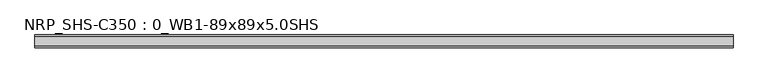
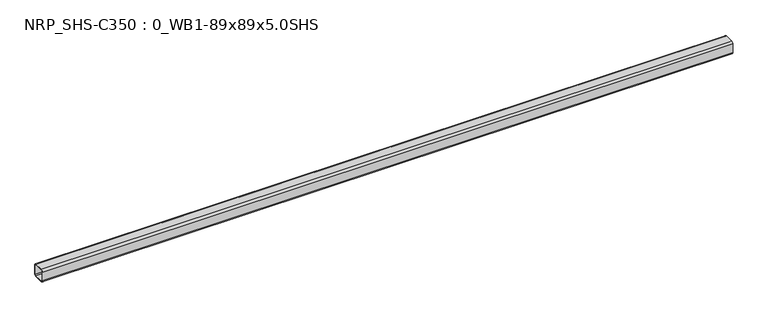
"""IFC4 building model written with IfcOpenShell, lengths in millimetres: member geometry, NRP_SHS-C350 : 0_WB1-89x89x5.0SHS."""

from ifc_helpers import new_model, si_unit, point, frame, frame_2d, origin, place, context, project, spatial, polyline, circle_curve, trimmed, segment, composite_curve, outline, extrude, source, transform, mapped, element, save


def nrp_shs_c350_0_wb1_89x89x5_0shs_72f0fdba(model_context):
    return source(origin(), model_context, "Body", "SweptSolid", [
        extrude(outline(composite_curve([segment(trimmed(circle_curve(frame_2d((-32.0, 32.0)), 12.5), [point((-44.5, 32.0))], [point((-32.0, 44.5))], False, "CARTESIAN"), True, "CONTINUOUS"), segment(polyline([(-32.0, 44.5), (32.0, 44.5)]), True, "CONTINUOUS"), segment(trimmed(circle_curve(frame_2d((32.0, 32.0)), 12.5), [point((32.0, 44.5))], [point((44.5, 32.0))], False, "CARTESIAN"), True, "CONTINUOUS"), segment(polyline([(44.5, 32.0), (44.5, -32.0)]), True, "CONTINUOUS"), segment(trimmed(circle_curve(frame_2d((32.0, -32.0)), 12.5), [point((44.5, -32.0))], [point((32.0, -44.5))], False, "CARTESIAN"), True, "CONTINUOUS"), segment(polyline([(32.0, -44.5), (-32.0, -44.5)]), True, "CONTINUOUS"), segment(trimmed(circle_curve(frame_2d((-32.0, -32.0)), 12.5), [point((-32.0, -44.5))], [point((-44.5, -32.0))], False, "CARTESIAN"), True, "CONTINUOUS"), segment(polyline([(-44.5, -32.0), (-44.5, 32.0)]), True, "CONTINUOUS")], self_intersect=False), holes=[composite_curve([segment(polyline([(32.0, 39.5), (-32.0, 39.5)]), True, "CONTINUOUS"), segment(trimmed(circle_curve(frame_2d((-32.0, 32.0)), 7.5), [point((-32.0, 39.5))], [point((-39.5, 32.0))], True, "CARTESIAN"), True, "CONTINUOUS"), segment(polyline([(-39.5, 32.0), (-39.5, -32.0)]), True, "CONTINUOUS"), segment(trimmed(circle_curve(frame_2d((-32.0, -32.0)), 7.5), [point((-39.5, -32.0))], [point((-32.0, -39.5))], True, "CARTESIAN"), True, "CONTINUOUS"), segment(polyline([(-32.0, -39.5), (32.0, -39.5)]), True, "CONTINUOUS"), segment(trimmed(circle_curve(frame_2d((32.0, -32.0)), 7.5), [point((32.0, -39.5))], [point((39.5, -32.0))], True, "CARTESIAN"), True, "CONTINUOUS"), segment(polyline([(39.5, -32.0), (39.5, 32.0)]), True, "CONTINUOUS"), segment(trimmed(circle_curve(frame_2d((32.0, 32.0)), 7.5), [point((39.5, 32.0))], [point((32.0, 39.5))], True, "CARTESIAN"), True, "CONTINUOUS")], self_intersect=False)]), frame((-2387.8082566, 0.0, 0.0), z_axis=(1.0, 0.0, 0.0), x_axis=(0.0, 1.0, 0.0)), (0.0, 0.0, 1.0), 4788.3042685),
    ])


if __name__ == "__main__":
    model = new_model("IFC4")
    model_context = context("Model", 3, world=origin())
    ifc_project = project(units=[si_unit("LENGTHUNIT", "METRE", prefix="MILLI")], contexts=[model_context])
    site = spatial("IfcSite", under=ifc_project)
    building = spatial("IfcBuilding", under=site)
    placement = place(None, origin())
    nrp_shs_c350_0_wb1_89x89x5_0shs_shape = nrp_shs_c350_0_wb1_89x89x5_0shs_72f0fdba(model_context)
    element("IfcMember", 1, ObjectType="NRP_SHS-C350 : 0_WB1-89x89x5.0SHS", at=placement, inside=building, context=model_context, shape_type="MappedRepresentation", body=[
        mapped(nrp_shs_c350_0_wb1_89x89x5_0shs_shape, transform((0.0, 0.0, 0.0), x_axis=(1.0, 0.0, 0.0), y_axis=(0.0, 1.0, 0.0), z_axis=(0.0, 0.0, 1.0))),
    ])
    save(model, "model.ifc")
